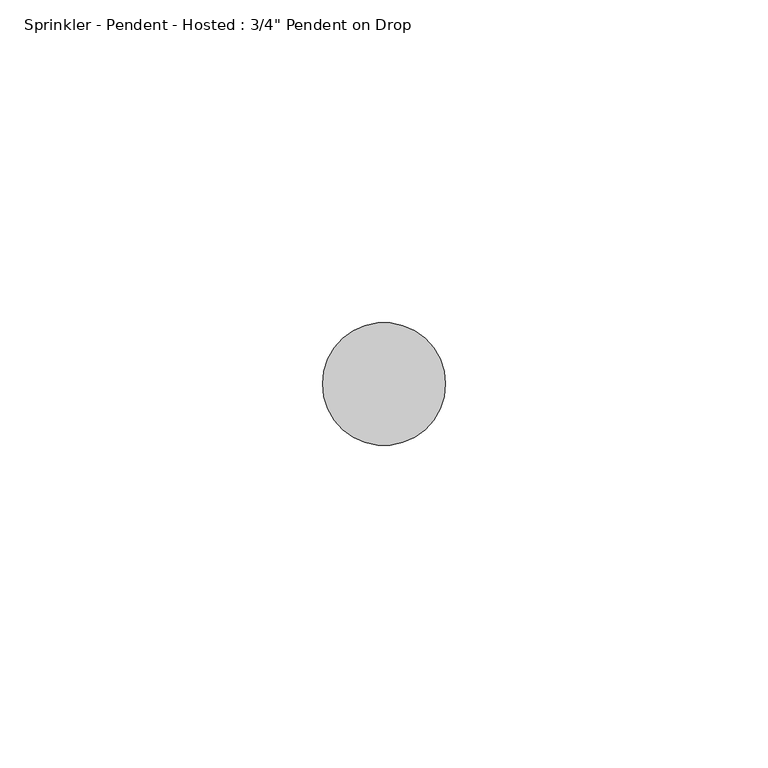
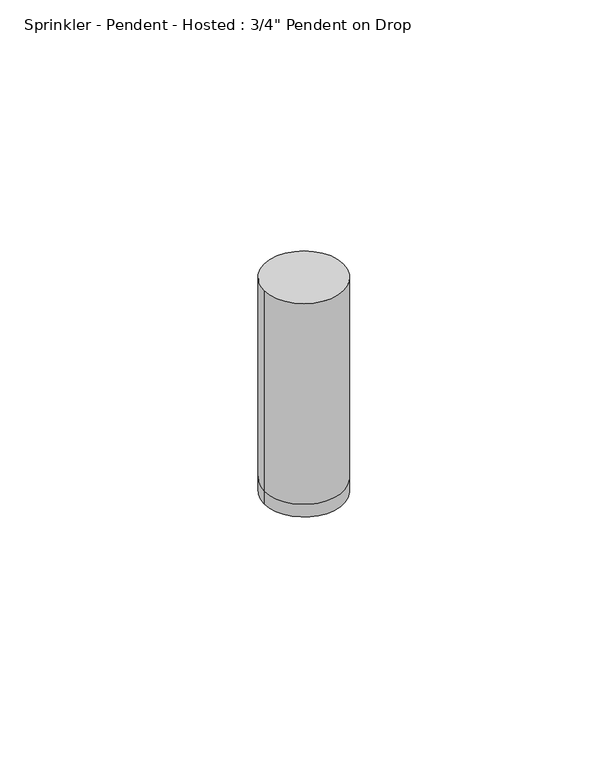
"""IFC4 building model written with IfcOpenShell, lengths in millimetres: fire suppression terminal geometry."""

from ifc_helpers import new_model, si_unit, frame, origin, origin_with_axes, place, context, project, spatial, circle_curve, source, transform, mapped, element, save
from ifc_brep_helpers import plane_surface, cylinder_surface, advanced_brep


def fire_suppression_terminal_8bca4efa(model_context):
    return source(origin(), model_context, "Body", "AdvancedBrep", [
        advanced_brep(
        [(-9.525, 0.0, 0.0), (9.525, 0.0, 0.0), (-9.525, 0.0, 3.175), (9.525, 0.0, 3.175), (-9.525, 0.0, 53.975), (9.525, 0.0, 53.975)],
        [
            (0, 1, circle_curve(frame((0.0, 0.0, 0.0), z_axis=(0.0, 0.0, -1.0), x_axis=(1.0, 0.0, 0.0)), 9.525)),
            (1, 0, circle_curve(frame((0.0, 0.0, 0.0), z_axis=(0.0, 0.0, -1.0), x_axis=(1.0, 0.0, 0.0)), 9.525)),
            (0, 2),
            (2, 3, circle_curve(frame((0.0, 0.0, 3.175), z_axis=(0.0, 0.0, -1.0), x_axis=(1.0, 0.0, 0.0)), 9.525)),
            (3, 1),
            (3, 2, circle_curve(frame((0.0, 0.0, 3.175), z_axis=(0.0, 0.0, -1.0), x_axis=(1.0, 0.0, 0.0)), 9.525)),
            (4, 5, circle_curve(frame((0.0, 0.0, 53.975), z_axis=(0.0, 0.0, 1.0), x_axis=(1.0, 0.0, 0.0)), 9.525)),
            (5, 4, circle_curve(frame((0.0, 0.0, 53.975), z_axis=(0.0, 0.0, 1.0), x_axis=(1.0, 0.0, 0.0)), 9.525)),
            (5, 3),
            (2, 4),
        ],
        [
            plane_surface(frame((9.525, 0.0, 0.0), z_axis=(0.0, 0.0, -1.0), x_axis=(0.0, 1.0, 0.0))),
            cylinder_surface(origin_with_axes(), 9.525),
            plane_surface(frame((9.525, 0.0, 53.975), z_axis=(0.0, 0.0, 1.0), x_axis=(0.0, -1.0, 0.0))),
        ],
        [
            (0, [[1, 2]]),
            (1, [[3, 4, 5, -1]]),
            (1, [[-5, 6, -3, -2]]),
            (2, [[7, 8]]),
            (1, [[9, -4, 10, -8]]),
            (1, [[-10, -6, -9, -7]]),
        ],
    ),
    ])


if __name__ == "__main__":
    model = new_model("IFC4")
    model_context = context("Model", 3, world=origin())
    ifc_project = project(units=[si_unit("LENGTHUNIT", "METRE", prefix="MILLI")], contexts=[model_context])
    site = spatial("IfcSite", under=ifc_project)
    building = spatial("IfcBuilding", under=site)
    placement = place(None, origin())
    fire_suppression_terminal_shape = fire_suppression_terminal_8bca4efa(model_context)
    element("IfcFireSuppressionTerminal", 1, ObjectType="Sprinkler - Pendent - Hosted : 3/4\" Pendent on Drop", at=placement, inside=building, context=model_context, shape_type="MappedRepresentation", body=[
        mapped(fire_suppression_terminal_shape, transform((0.0, 0.0, 0.0), x_axis=(1.0, 0.0, 0.0), y_axis=(0.0, 1.0, 0.0), z_axis=(0.0, 0.0, 1.0))),
    ])
    save(model, "model.ifc")
